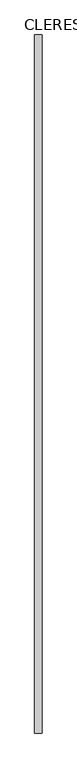
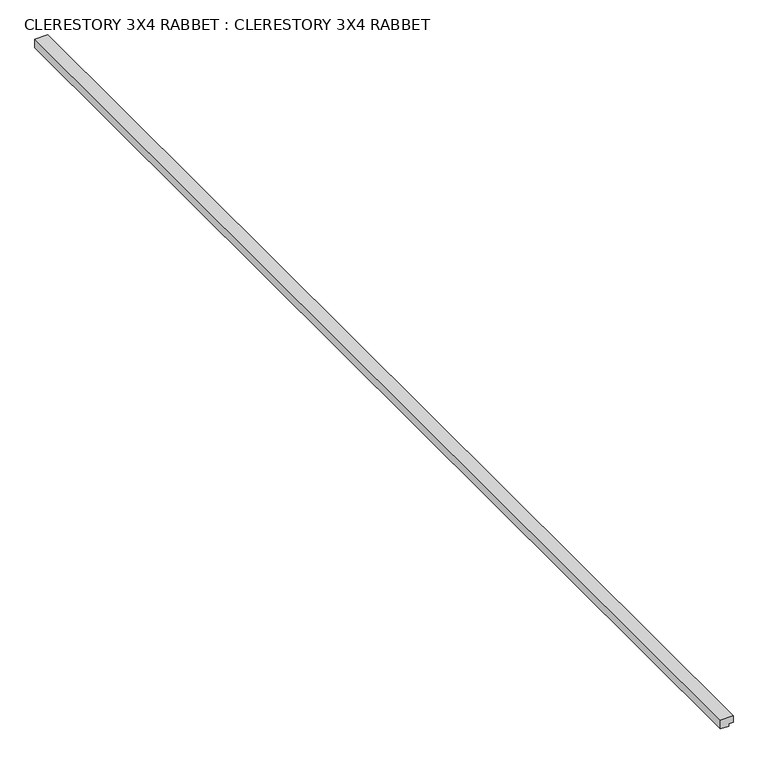
"""IFC4 building model written with IfcOpenShell, lengths in millimetres: proxy geometry, CLERESTORY 3X4 RABBET : CLERESTORY 3X4 RABBET."""

from ifc_helpers import new_model, si_unit, frame, origin, place, context, project, spatial, polyline, outline, extrude, source, transform, mapped, element, save


def clerestory_3x4_rabbet_clerestory_3x4_rabbet_1a866c63(model_context):
    return source(origin(), model_context, "Body", "SweptSolid", [
        extrude(outline(polyline([(0.0, 88.9), (0.0, 0.0), (-63.5, 0.0), (-63.5, 57.15), (-47.625, 57.15), (-47.625, 88.9), (0.0, 88.9)])), frame((0.0, -4178.3, 0.0), z_axis=(0.0, 1.0, 0.0), x_axis=(0.0, 0.0, 1.0)), (0.0, 0.0, 1.0), 8356.6),
    ])


if __name__ == "__main__":
    model = new_model("IFC4")
    model_context = context("Model", 3, world=origin())
    ifc_project = project(units=[si_unit("LENGTHUNIT", "METRE", prefix="MILLI")], contexts=[model_context])
    site = spatial("IfcSite", under=ifc_project)
    building = spatial("IfcBuilding", under=site)
    placement = place(None, origin())
    clerestory_3x4_rabbet_clerestory_3x4_rabbet_shape = clerestory_3x4_rabbet_clerestory_3x4_rabbet_1a866c63(model_context)
    element("IfcBuildingElementProxy", 1, Name="CLERESTORY 3X4 RABBET : CLERESTORY 3X4 RABBET", ObjectType="CLERESTORY 3X4 RABBET : CLERESTORY 3X4 RABBET", at=placement, inside=building, context=model_context, shape_type="MappedRepresentation", body=[
        mapped(clerestory_3x4_rabbet_clerestory_3x4_rabbet_shape, transform((0.0, 0.0, 0.0), x_axis=(1.0, 0.0, 0.0), y_axis=(0.0, 1.0, 0.0), z_axis=(0.0, 0.0, 1.0))),
    ])
    save(model, "model.ifc")
